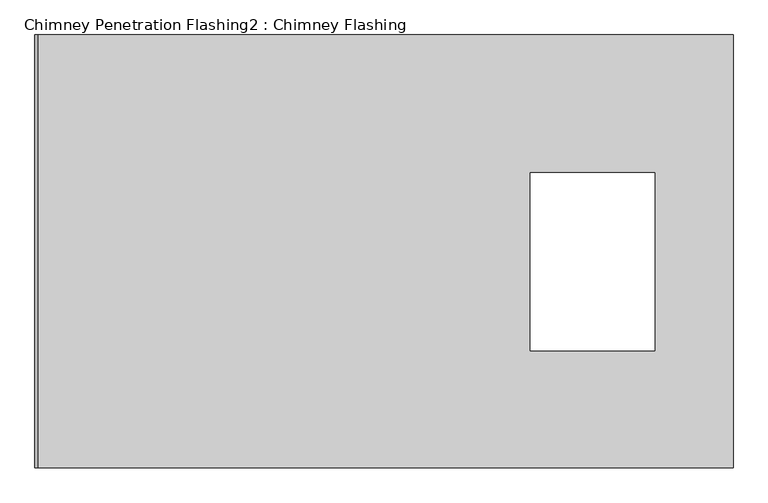
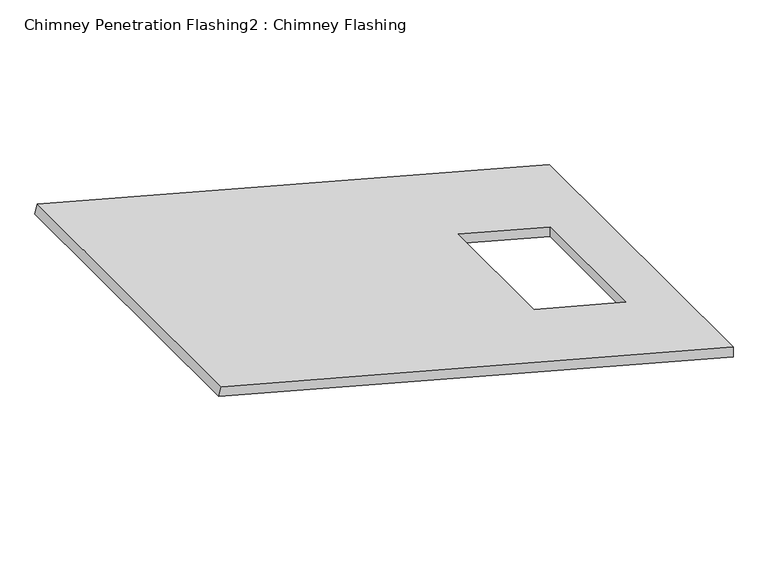
"""IFC4 building model written with IfcOpenShell, lengths in millimetres: proxy geometry, Chimney Penetration Flashing2 : Chimney Flashing."""

from ifc_helpers import new_model, si_unit, origin, place, context, project, spatial, faceted_brep, source, transform, mapped, element, save


def chimney_penetration_flashing2_chimney_flashing_eb034939(model_context):
    return source(origin(), model_context, "Body", "Brep", [
        faceted_brep([(4034.3633972, -2011.2660332, 3407.6723492), (4034.3633972, -2011.2660332, 3446.4712036), (2083.8008732, -2011.2660332, 3969.1228567), (2074.1011596, -2011.2660332, 3932.9230327), (4034.3633972, -796.2660332, 3407.6723492), (2074.1011596, -796.2660332, 3932.9230327), (2083.8008732, -796.2660332, 3969.1228567), (4034.3633972, -796.2660332, 3446.4712036), (3815.016956, -1182.9266386, 3505.2449054), (3815.016956, -1682.9266386, 3505.2449054), (3465.016956, -1682.9266386, 3599.0271228), (3465.016956, -1182.9266386, 3599.0271228), (3815.016956, -1682.9266386, 3466.446051), (3815.016956, -1182.9266386, 3466.446051), (3465.016956, -1182.9266386, 3560.2282683), (3465.016956, -1682.9266386, 3560.2282683)], [[[0, 1, 2, 3]], [[4, 5, 6, 7]], [[1, 0, 4, 7]], [[2, 1, 7, 6], [8, 9, 10, 11]], [[3, 2, 6, 5]], [[0, 3, 5, 4], [12, 13, 14, 15]], [[12, 9, 8, 13]], [[13, 8, 11, 14]], [[14, 11, 10, 15]], [[9, 12, 15, 10]]]),
    ])


if __name__ == "__main__":
    model = new_model("IFC4")
    model_context = context("Model", 3, world=origin())
    ifc_project = project(units=[si_unit("LENGTHUNIT", "METRE", prefix="MILLI")], contexts=[model_context])
    site = spatial("IfcSite", under=ifc_project)
    building = spatial("IfcBuilding", under=site)
    placement = place(None, origin())
    chimney_penetration_flashing2_chimney_flashing_shape = chimney_penetration_flashing2_chimney_flashing_eb034939(model_context)
    element("IfcBuildingElementProxy", 1, Name="Chimney Penetration Flashing2 : Chimney Flashing", ObjectType="Chimney Penetration Flashing2 : Chimney Flashing", at=placement, inside=building, context=model_context, shape_type="MappedRepresentation", body=[
        mapped(chimney_penetration_flashing2_chimney_flashing_shape, transform((0.0, 0.0, 0.0), x_axis=(1.0, 0.0, 0.0), y_axis=(0.0, 1.0, 0.0), z_axis=(0.0, 0.0, 1.0))),
    ])
    save(model, "model.ifc")
